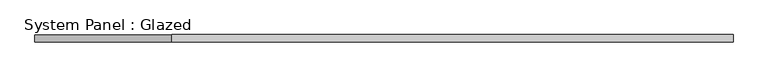
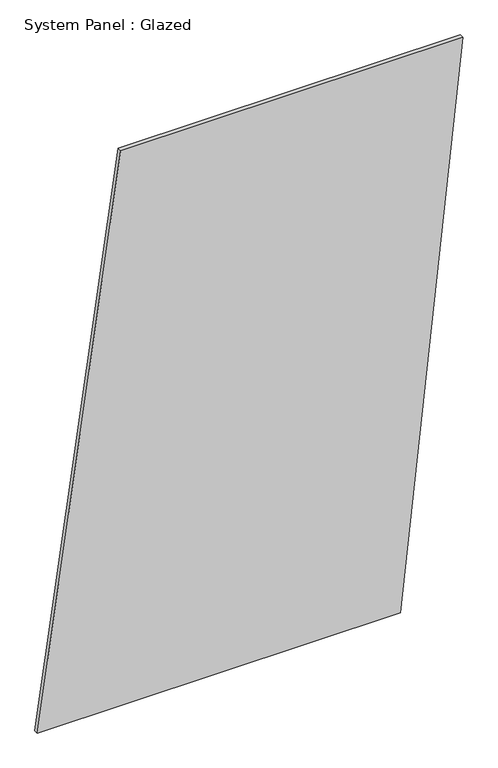
"""IFC4 building model written with IfcOpenShell, lengths in millimetres: plate geometry, System Panel : Glazed."""

from ifc_helpers import new_model, si_unit, frame, origin, place, context, project, spatial, polyline, outline, extrude, source, transform, mapped, element, save


def system_panel_glazed_bbde6849(model_context):
    return source(origin(), model_context, "Body", "SweptSolid", [
        extrude(outline(polyline([(0.0, -1210.4289214), (0.0, 854.4520761), (3334.8902684, 1210.4289214), (3334.8902684, -735.7931277), (0.0, -1210.4289214)])), frame((0.0, -49.5, 0.0), z_axis=(0.0, 1.0, 0.0), x_axis=(0.0, 0.0, 1.0)), (0.0, 0.0, 1.0), 25.0),
    ])


if __name__ == "__main__":
    model = new_model("IFC4")
    model_context = context("Model", 3, world=origin())
    ifc_project = project(units=[si_unit("LENGTHUNIT", "METRE", prefix="MILLI")], contexts=[model_context])
    site = spatial("IfcSite", under=ifc_project)
    building = spatial("IfcBuilding", under=site)
    placement = place(None, origin())
    system_panel_glazed_shape = system_panel_glazed_bbde6849(model_context)
    element("IfcPlate", 1, ObjectType="System Panel : Glazed", at=placement, inside=building, context=model_context, shape_type="MappedRepresentation", body=[
        mapped(system_panel_glazed_shape, transform((0.0, 0.0, 0.0), x_axis=(1.0, 0.0, 0.0), y_axis=(0.0, 1.0, 0.0), z_axis=(0.0, 0.0, 1.0))),
    ])
    save(model, "model.ifc")
